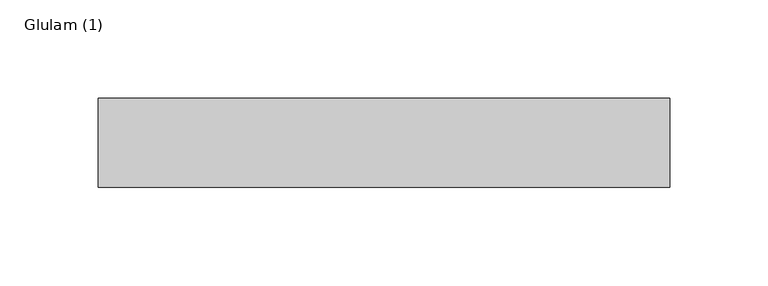
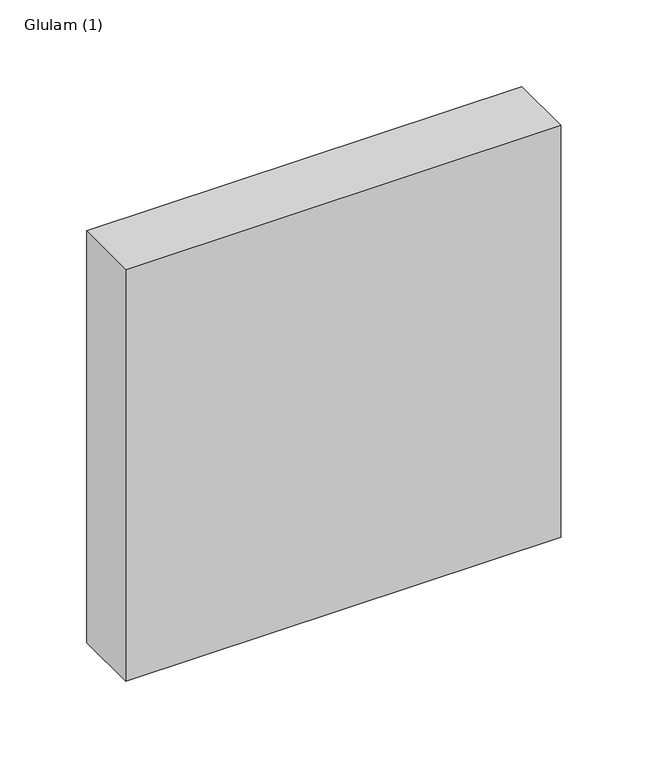
"""IFC4 building model written with IfcOpenShell, lengths in millimetres: beam geometry, Glulam (1)."""

import ifcopenshell
import ifcopenshell.guid

model = None  # the IFC model being written
_history = None  # IfcOwnerHistory: only IFC2X3 demands one
_inside = {}  # id of a spatial element -> (the spatial element, [elements in it])
_under = {}  # id of a project, library or spatial element -> (it, [spatial elements below it])
_declared = {}  # id of a project -> (the project, [libraries it declares])
_typed = {}  # id of a type object -> (the type object, [elements of that type])
_made_of = {}  # id of a material, layer set ... -> (it, [elements and type objects made of it])


def new_model(schema):
    """Start an empty IFC model of exactly this schema.

    Asked for "IFC4X3", IfcOpenShell would pick the latest addendum, in which some entities
    have other attributes; the version numbers below select the first issue.
    IFC2X3 requires an IfcOwnerHistory on every rooted entity: one is made here for all.
    """
    global model, _history
    if schema == "IFC4X3":
        model = ifcopenshell.file(schema_version=(4, 3, 0, 0))
    else:
        model = ifcopenshell.file(schema=schema)
    _inside.clear()
    _under.clear()
    _declared.clear()
    _typed.clear()
    _made_of.clear()
    _history = None
    if model.schema == "IFC2X3":
        org = make("IfcOrganization", Name="unknown")
        user = make(
            "IfcPersonAndOrganization",
            ThePerson=make("IfcPerson", FamilyName="unknown"),
            TheOrganization=org,
        )
        app = make(
            "IfcApplication",
            ApplicationDeveloper=org,
            Version="unknown",
            ApplicationFullName="unknown",
            ApplicationIdentifier="unknown",
        )
        _history = make(
            "IfcOwnerHistory",
            OwningUser=user,
            OwningApplication=app,
            ChangeAction="ADDED",
            CreationDate=0,
        )
    return model


def make(cls, **values):
    """One entity of the class cls with the attributes given. An attribute that is None is left unset."""
    return model.create_entity(
        cls, **{name: value for name, value in values.items() if value is not None}
    )


def rooted(cls, **values):
    """An entity with a GlobalId (a new one), such as an element, a storey or a relation."""
    return make(cls, GlobalId=ifcopenshell.guid.new(), OwnerHistory=_history, **values)


def si_unit(unit_type, name, prefix=None):
    """IfcSIUnit, for example si_unit("LENGTHUNIT", "METRE", prefix="MILLI")."""
    return make("IfcSIUnit", UnitType=unit_type, Prefix=prefix, Name=name)


def assignment(units):
    """IfcUnitAssignment: the units of a project."""
    return None if units is None else make("IfcUnitAssignment", Units=units)


def point(xyz):
    """IfcCartesianPoint."""
    return None if xyz is None else make("IfcCartesianPoint", Coordinates=xyz)


def direction(xyz):
    """IfcDirection."""
    return None if xyz is None else make("IfcDirection", DirectionRatios=xyz)


def frame(location, z_axis=None, x_axis=None):
    """IfcAxis2Placement3D, a coordinate frame: its origin and axes. An axis left out is left unset."""
    return make(
        "IfcAxis2Placement3D",
        Location=point(location),
        Axis=direction(z_axis),
        RefDirection=direction(x_axis),
    )


def origin():
    """The frame at (0, 0, 0) with its axes left unset."""
    return frame((0.0, 0.0, 0.0))


def place(relative_to, where):
    """IfcLocalPlacement: puts the frame where relative to a parent placement (None: the world)."""
    return make(
        "IfcLocalPlacement", PlacementRelTo=relative_to, RelativePlacement=where
    )


def context(
    kind, dimensions, precision=None, world=None, true_north=None, identifier=None
):
    """IfcGeometricRepresentationContext, for example the 3D "Model" context."""
    return make(
        "IfcGeometricRepresentationContext",
        ContextIdentifier=identifier,
        ContextType=kind,
        CoordinateSpaceDimension=dimensions,
        Precision=precision,
        WorldCoordinateSystem=world,
        TrueNorth=true_north,
    )


def project(units=None, contexts=None):
    """IfcProject with its units and contexts."""
    return rooted(
        "IfcProject",
        Name="project",
        RepresentationContexts=contexts,
        UnitsInContext=assignment(units),
    )


def spatial(cls, under=None, at=None, **own):
    """A site, building, storey or space (cls), placed at a placement, below another one or the project."""
    s = rooted(cls, ObjectPlacement=at, **own)
    if under is not None:
        _under.setdefault(under.id(), (under, []))[1].append(s)
    return s


def polyline(points):
    """IfcPolyline through the points."""
    return make("IfcPolyline", Points=[point(p) for p in points])


def outline(outer, holes=None, kind="AREA"):
    """IfcArbitraryClosedProfileDef: a profile drawn as a closed curve; with holes, ...WithVoids."""
    if holes is None:
        return make("IfcArbitraryClosedProfileDef", ProfileType=kind, OuterCurve=outer)
    return make(
        "IfcArbitraryProfileDefWithVoids",
        ProfileType=kind,
        OuterCurve=outer,
        InnerCurves=holes,
    )


def extrude(swept, where, along, depth):
    """IfcExtrudedAreaSolid: the profile swept, set in the frame where, extruded along a direction by depth."""
    return make(
        "IfcExtrudedAreaSolid",
        SweptArea=swept,
        Position=where,
        ExtrudedDirection=direction(along),
        Depth=depth,
    )


def shape(context_of_items, identifier, shape_type, items):
    """IfcShapeRepresentation: the items that make up one representation, for example the "Body"."""
    return make(
        "IfcShapeRepresentation",
        ContextOfItems=context_of_items,
        RepresentationIdentifier=identifier,
        RepresentationType=shape_type,
        Items=items,
    )


def source(mapping_origin, context_of_items, identifier, shape_type, items):
    """IfcRepresentationMap: a shape defined once, which mapped items show again and again."""
    return make(
        "IfcRepresentationMap",
        MappingOrigin=mapping_origin,
        MappedRepresentation=shape(context_of_items, identifier, shape_type, items),
    )


def transform(
    local_origin,
    x_axis=None,
    y_axis=None,
    z_axis=None,
    scale=None,
    scale2=None,
    scale3=None,
    uniform=True,
):
    """IfcCartesianTransformationOperator3D, or its non-uniform kind. x_axis, y_axis, z_axis: its Axis1, 2, 3."""
    if uniform:
        return make(
            "IfcCartesianTransformationOperator3D",
            Axis1=direction(x_axis),
            Axis2=direction(y_axis),
            LocalOrigin=point(local_origin),
            Scale=scale,
            Axis3=direction(z_axis),
        )
    return make(
        "IfcCartesianTransformationOperator3DnonUniform",
        Axis1=direction(x_axis),
        Axis2=direction(y_axis),
        LocalOrigin=point(local_origin),
        Scale=scale,
        Axis3=direction(z_axis),
        Scale2=scale2,
        Scale3=scale3,
    )


def mapped(mapping_source, mapping_target):
    """IfcMappedItem: shows the shape of a source again, moved by a transform."""
    return make(
        "IfcMappedItem", MappingSource=mapping_source, MappingTarget=mapping_target
    )


def made_of(thing, what):
    """Note that an element or type object is made of a material, layer set ...; save() writes the relation."""
    if what is not None:
        _made_of.setdefault(what.id(), (what, []))[1].append(thing)
    return thing


def element(
    cls,
    number,
    at=None,
    inside=None,
    cuts=None,
    type_object=None,
    material=None,
    context=None,
    identifier="Body",
    shape_type=None,
    held_by="IfcProductDefinitionShape",
    body=None,
    shapes=None,
    **own,
):
    """One element of the class cls, such as IfcWall. Its Tag is "e" and its number.

    at: its placement. inside: the storey or other place that contains it. cuts: it is an
    opening in that element (IfcRelVoidsElement). A single representation is given by context,
    identifier, shape_type and body (its items); several are given by shapes. held_by: the class
    of the entity that holds the representations. save() writes the other relations.
    """
    e = rooted(cls, Tag="e%d" % number, ObjectPlacement=at, **own)
    if body is not None:
        shapes = [shape(context, identifier, shape_type, body)]
    if shapes is not None:
        e.Representation = make(held_by, Representations=shapes)
    if inside is not None:
        _inside.setdefault(inside.id(), (inside, []))[1].append(e)
    if cuts is not None:
        rooted(
            "IfcRelVoidsElement", RelatingBuildingElement=cuts, RelatedOpeningElement=e
        )
    if type_object is not None:
        _typed.setdefault(type_object.id(), (type_object, []))[1].append(e)
    return made_of(e, material)


def aggregate(whole, parts):
    """IfcRelAggregates: a whole, such as a stair, and the parts it consists of."""
    return rooted("IfcRelAggregates", RelatingObject=whole, RelatedObjects=parts)


def save(model, path):
    """Write the relations noted so far, then the file.

    IfcRelAggregates (storeys below a building ...), IfcRelContainedInSpatialStructure (elements
    in a storey), IfcRelDefinesByType, IfcRelAssociatesMaterial and IfcRelDeclares: one each for
    every whole, place, type object, material and project.
    """
    for whole, parts in _under.values():
        aggregate(whole, parts)
    for where, things in _inside.values():
        rooted(
            "IfcRelContainedInSpatialStructure",
            RelatedElements=things,
            RelatingStructure=where,
        )
    for kind, things in _typed.values():
        rooted("IfcRelDefinesByType", RelatedObjects=things, RelatingType=kind)
    for what, things in _made_of.values():
        rooted("IfcRelAssociatesMaterial", RelatedObjects=things, RelatingMaterial=what)
    for by, libraries in _declared.values():
        rooted("IfcRelDeclares", RelatingContext=by, RelatedDefinitions=libraries)
    model.write(path)


def glulam_1_f5cb1f5d(model_context):
    return source(origin(), model_context, "Body", "SweptSolid", [
        extrude(outline(polyline([(145.0, 22.5), (145.0, -22.5), (-145.0, -22.5), (-145.0, 22.5), (145.0, 22.5)])), frame((0.0, 0.0, -145.0), z_axis=(0.0, 0.0, 1.0), x_axis=(1.0, 0.0, 0.0)), (0.0, 0.0, 1.0), 290.0),
    ])


if __name__ == "__main__":
    model = new_model("IFC4")
    model_context = context("Model", 3, world=origin())
    ifc_project = project(units=[si_unit("LENGTHUNIT", "METRE", prefix="MILLI")], contexts=[model_context])
    site = spatial("IfcSite", under=ifc_project)
    building = spatial("IfcBuilding", under=site)
    placement = place(None, origin())
    glulam_1_shape = glulam_1_f5cb1f5d(model_context)
    element("IfcBeam", 1, ObjectType="Glulam (1)", at=placement, inside=building, context=model_context, shape_type="MappedRepresentation", body=[
        mapped(glulam_1_shape, transform((0.0, 0.0, 0.0), x_axis=(1.0, 0.0, 0.0), y_axis=(0.0, 1.0, 0.0), z_axis=(0.0, 0.0, 1.0))),
    ])
    save(model, "model.ifc")
